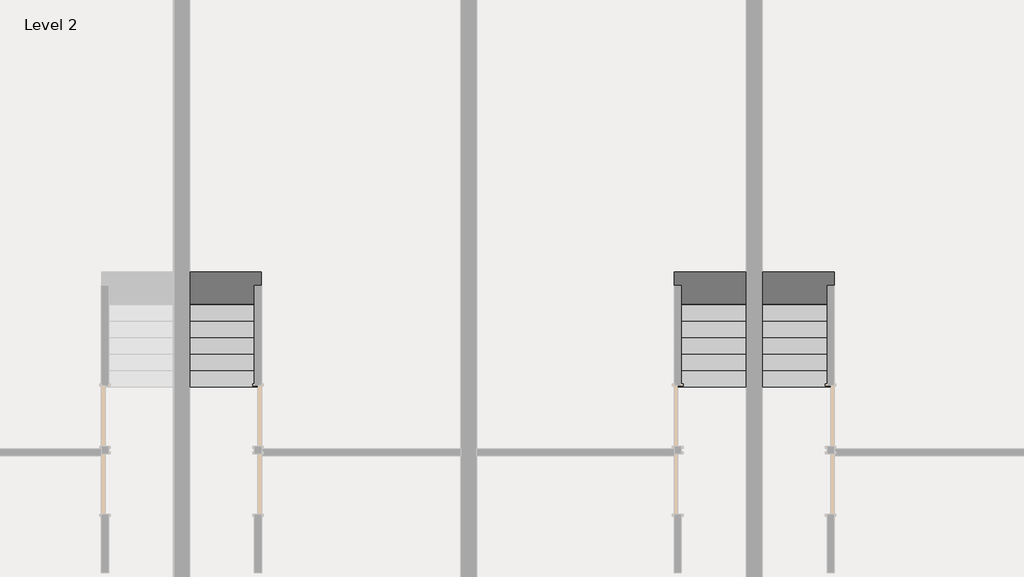
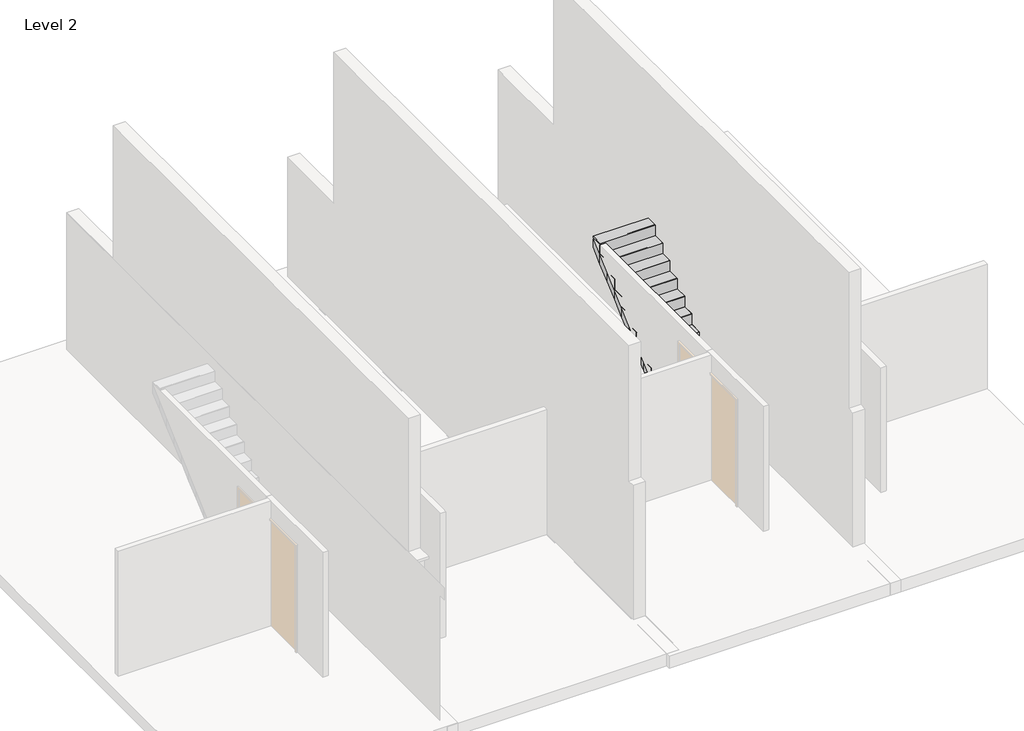
# One storey, part 6 of 7: 3 stair flights.
"""IFC4 building model written with IfcOpenShell, lengths in millimetres."""

from ifc_helpers import new_model, si_unit, frame, origin, place, context, project, spatial, polyline, outline, extrude, faceted_brep, element, save

model = new_model("IFC4")

# Units and contexts
model_context = context("Model", 3, world=origin())
ifc_project = project(units=[si_unit("LENGTHUNIT", "METRE", prefix="MILLI")], contexts=[model_context])

# Site, building, storey
site = spatial("IfcSite", under=ifc_project)
building = spatial("IfcBuilding", under=site)
storey = spatial("IfcBuildingStorey", under=building, Name="Level 2", Elevation=5760.0)

# Stair flights
placement = place(None, origin())
element("IfcStairFlight", 1, ObjectType="1mm_Tread-150mm_Depth", at=placement, inside=storey, context=model_context, shape_type="SolidModel", body=[
    faceted_brep([(-7583.7514271, -125.4639151, 5961.3076923), (-7583.7514271, -355.4639151, 5961.3076923), (-6583.7514271, -355.4639151, 5961.3076923), (-6583.7514271, -125.4639151, 5961.3076923), (-7583.7514271, -125.4639151, 5761.5375478), (-7583.7514271, -127.2119257, 5760.0), (-7583.7514271, -355.4639151, 5760.0), (-6583.7514271, -355.4639151, 5760.0), (-6583.7514271, -127.2119257, 5760.0), (-6583.7514271, -125.4639151, 5761.5375478), (-7583.7514271, 104.5360849, 6163.6153846), (-7583.7514271, -125.4639151, 6163.6153846), (-6583.7514271, -125.4639151, 6163.6153846), (-6583.7514271, 104.5360849, 6163.6153846), (-7583.7514271, 104.5360849, 5963.8452401), (-6583.7514271, 104.5360849, 5963.8452401), (-7583.7514271, 334.5360849, 6365.9230769), (-7583.7514271, 104.5360849, 6365.9230769), (-6583.7514271, 104.5360849, 6365.9230769), (-6583.7514271, 334.5360849, 6365.9230769), (-7583.7514271, 334.5360849, 6166.1529324), (-6583.7514271, 334.5360849, 6166.1529324), (-7583.7514271, 564.5360849, 6568.2307692), (-7583.7514271, 334.5360849, 6568.2307692), (-6583.7514271, 334.5360849, 6568.2307692), (-6583.7514271, 564.5360849, 6568.2307692), (-7583.7514271, 564.5360849, 6368.4606247), (-6583.7514271, 564.5360849, 6368.4606247), (-7583.7514271, 794.5360849, 6770.5384615), (-7583.7514271, 564.5360849, 6770.5384615), (-6583.7514271, 564.5360849, 6770.5384615), (-6583.7514271, 794.5360849, 6770.5384615), (-7583.7514271, 794.5360849, 6570.768317), (-6583.7514271, 794.5360849, 6570.768317), (-7583.7514271, 1024.5360849, 6972.8461538), (-7583.7514271, 794.5360849, 6972.8461538), (-6583.7514271, 794.5360849, 6972.8461538), (-6583.7514271, 1024.5360849, 6972.8461538), (-7583.7514271, 1024.5360849, 6773.0760093), (-6583.7514271, 1024.5360849, 6773.0760093), (-7583.7514271, 1254.5360849, 7175.1538462), (-7583.7514271, 1024.5360849, 7175.1538462), (-6583.7514271, 1024.5360849, 7175.1538462), (-6583.7514271, 1254.5360849, 7175.1538462), (-7583.7514271, 1254.5360849, 6975.3837016), (-6583.7514271, 1254.5360849, 6975.3837016), (-7583.7514271, 1484.5360849, 7377.4615385), (-7583.7514271, 1254.5360849, 7377.4615385), (-6583.7514271, 1254.5360849, 7377.4615385), (-6583.7514271, 1484.5360849, 7377.4615385), (-7583.7514271, 1484.5360849, 7177.6913939), (-6583.7514271, 1484.5360849, 7177.6913939), (-7583.7514271, 1714.5360849, 7579.7692308), (-7583.7514271, 1484.5360849, 7579.7692308), (-6583.7514271, 1484.5360849, 7579.7692308), (-6583.7514271, 1714.5360849, 7579.7692308), (-7583.7514271, 1714.5360849, 7379.9990862), (-6583.7514271, 1714.5360849, 7379.9990862), (-7583.7514271, 1944.5360849, 7782.0769231), (-7583.7514271, 1714.5360849, 7782.0769231), (-6583.7514271, 1714.5360849, 7782.0769231), (-6583.7514271, 1944.5360849, 7782.0769231), (-7583.7514271, 1944.5360849, 7582.3067785), (-6583.7514271, 1944.5360849, 7582.3067785), (-7583.7514271, 2174.5360849, 7984.3846154), (-7583.7514271, 1944.5360849, 7984.3846154), (-6583.7514271, 1944.5360849, 7984.3846154), (-6583.7514271, 2174.5360849, 7984.3846154), (-7583.7514271, 2174.5360849, 7784.6144708), (-6583.7514271, 2174.5360849, 7784.6144708), (-7583.7514271, 2392.0360849, 7975.9271799), (-6583.7514271, 2392.0360849, 7975.9271799), (-7583.7514271, 2392.0360849, 8186.6923077), (-7583.7514271, 2174.5360849, 8186.6923077), (-6583.7514271, 2174.5360849, 8186.6923077), (-6583.7514271, 2392.0360849, 8186.6923077)], [[[0, 1, 2, 3]], [[1, 0, 4, 5, 6]], [[2, 1, 6, 7]], [[3, 2, 7, 8, 9]], [[10, 11, 12, 13]], [[11, 10, 14, 4, 0]], [[0, 3, 12, 11]], [[13, 12, 3, 9, 15]], [[16, 17, 18, 19]], [[17, 16, 20, 14, 10]], [[10, 13, 18, 17]], [[19, 18, 13, 15, 21]], [[22, 23, 24, 25]], [[23, 22, 26, 20, 16]], [[16, 19, 24, 23]], [[25, 24, 19, 21, 27]], [[28, 29, 30, 31]], [[29, 28, 32, 26, 22]], [[22, 25, 30, 29]], [[31, 30, 25, 27, 33]], [[34, 35, 36, 37]], [[35, 34, 38, 32, 28]], [[28, 31, 36, 35]], [[37, 36, 31, 33, 39]], [[40, 41, 42, 43]], [[41, 40, 44, 38, 34]], [[34, 37, 42, 41]], [[43, 42, 37, 39, 45]], [[46, 47, 48, 49]], [[47, 46, 50, 44, 40]], [[40, 43, 48, 47]], [[49, 48, 43, 45, 51]], [[52, 53, 54, 55]], [[53, 52, 56, 50, 46]], [[46, 49, 54, 53]], [[55, 54, 49, 51, 57]], [[58, 59, 60, 61]], [[59, 58, 62, 56, 52]], [[52, 55, 60, 59]], [[61, 60, 55, 57, 63]], [[64, 65, 66, 67]], [[65, 64, 68, 62, 58]], [[58, 61, 66, 65]], [[67, 66, 61, 63, 69]], [[7, 6, 5, 8]], [[8, 5, 4, 14, 20, 26, 32, 38, 44, 50, 56, 62, 68, 70, 71, 69, 63, 57, 51, 45, 39, 33, 27, 21, 15, 9]], [[72, 73, 74, 75]], [[73, 72, 70, 68, 64]], [[64, 67, 74, 73]], [[75, 74, 67, 69, 71]], [[72, 75, 71, 70]]]),
    extrude(outline(polyline([(-7583.7514271, -137.9639151), (-6583.7514271, -137.9639151), (-6583.7514271, -367.9639151), (-7583.7514271, -367.9639151), (-7583.7514271, -137.9639151)])), frame((0.0, 0.0, 5961.3076923), z_axis=(0.0, 0.0, 1.0), x_axis=(1.0, 0.0, 0.0)), (0.0, 0.0, 1.0), 1.0),
    extrude(outline(polyline([(-7583.7514271, 92.0360849), (-6583.7514271, 92.0360849), (-6583.7514271, -137.9639151), (-7583.7514271, -137.9639151), (-7583.7514271, 92.0360849)])), frame((0.0, 0.0, 6163.6153846), z_axis=(0.0, 0.0, 1.0), x_axis=(1.0, 0.0, 0.0)), (0.0, 0.0, 1.0), 1.0),
    extrude(outline(polyline([(-7583.7514271, 322.0360849), (-6583.7514271, 322.0360849), (-6583.7514271, 92.0360849), (-7583.7514271, 92.0360849), (-7583.7514271, 322.0360849)])), frame((0.0, 0.0, 6365.9230769), z_axis=(0.0, 0.0, 1.0), x_axis=(1.0, 0.0, 0.0)), (0.0, 0.0, 1.0), 1.0),
    extrude(outline(polyline([(-7583.7514271, 552.0360849), (-6583.7514271, 552.0360849), (-6583.7514271, 322.0360849), (-7583.7514271, 322.0360849), (-7583.7514271, 552.0360849)])), frame((0.0, 0.0, 6568.2307692), z_axis=(0.0, 0.0, 1.0), x_axis=(1.0, 0.0, 0.0)), (0.0, 0.0, 1.0), 1.0),
    extrude(outline(polyline([(-7583.7514271, 782.0360849), (-6583.7514271, 782.0360849), (-6583.7514271, 552.0360849), (-7583.7514271, 552.0360849), (-7583.7514271, 782.0360849)])), frame((0.0, 0.0, 6770.5384615), z_axis=(0.0, 0.0, 1.0), x_axis=(1.0, 0.0, 0.0)), (0.0, 0.0, 1.0), 1.0),
    extrude(outline(polyline([(-7583.7514271, 1012.0360849), (-6583.7514271, 1012.0360849), (-6583.7514271, 782.0360849), (-7583.7514271, 782.0360849), (-7583.7514271, 1012.0360849)])), frame((0.0, 0.0, 6972.8461538), z_axis=(0.0, 0.0, 1.0), x_axis=(1.0, 0.0, 0.0)), (0.0, 0.0, 1.0), 1.0),
    extrude(outline(polyline([(-7583.7514271, 1242.0360849), (-6583.7514271, 1242.0360849), (-6583.7514271, 1012.0360849), (-7583.7514271, 1012.0360849), (-7583.7514271, 1242.0360849)])), frame((0.0, 0.0, 7175.1538462), z_axis=(0.0, 0.0, 1.0), x_axis=(1.0, 0.0, 0.0)), (0.0, 0.0, 1.0), 1.0),
    extrude(outline(polyline([(-7583.7514271, 1472.0360849), (-6583.7514271, 1472.0360849), (-6583.7514271, 1242.0360849), (-7583.7514271, 1242.0360849), (-7583.7514271, 1472.0360849)])), frame((0.0, 0.0, 7377.4615385), z_axis=(0.0, 0.0, 1.0), x_axis=(1.0, 0.0, 0.0)), (0.0, 0.0, 1.0), 1.0),
    extrude(outline(polyline([(-7583.7514271, 1702.0360849), (-6583.7514271, 1702.0360849), (-6583.7514271, 1472.0360849), (-7583.7514271, 1472.0360849), (-7583.7514271, 1702.0360849)])), frame((0.0, 0.0, 7579.7692308), z_axis=(0.0, 0.0, 1.0), x_axis=(1.0, 0.0, 0.0)), (0.0, 0.0, 1.0), 1.0),
    extrude(outline(polyline([(-7583.7514271, 1932.0360849), (-6583.7514271, 1932.0360849), (-6583.7514271, 1702.0360849), (-7583.7514271, 1702.0360849), (-7583.7514271, 1932.0360849)])), frame((0.0, 0.0, 7782.0769231), z_axis=(0.0, 0.0, 1.0), x_axis=(1.0, 0.0, 0.0)), (0.0, 0.0, 1.0), 1.0),
    extrude(outline(polyline([(-7583.7514271, 2162.0360849), (-6583.7514271, 2162.0360849), (-6583.7514271, 1932.0360849), (-7583.7514271, 1932.0360849), (-7583.7514271, 2162.0360849)])), frame((0.0, 0.0, 7984.3846154), z_axis=(0.0, 0.0, 1.0), x_axis=(1.0, 0.0, 0.0)), (0.0, 0.0, 1.0), 1.0),
    extrude(outline(polyline([(-7583.7514271, 2392.0360849), (-6583.7514271, 2392.0360849), (-6583.7514271, 2162.0360849), (-7583.7514271, 2162.0360849), (-7583.7514271, 2392.0360849)])), frame((0.0, 0.0, 8186.6923077), z_axis=(0.0, 0.0, 1.0), x_axis=(1.0, 0.0, 0.0)), (0.0, 0.0, 1.0), 1.0),
    extrude(outline(polyline([(-6583.7514271, -355.4639151), (-6583.7514271, -367.9639151), (-7583.7514271, -367.9639151), (-7583.7514271, -355.4639151), (-6583.7514271, -355.4639151)])), frame((0.0, 0.0, 5760.0), z_axis=(0.0, 0.0, 1.0), x_axis=(1.0, 0.0, 0.0)), (0.0, 0.0, 1.0), 201.3076923),
    extrude(outline(polyline([(-6583.7514271, -125.4639151), (-6583.7514271, -137.9639151), (-7583.7514271, -137.9639151), (-7583.7514271, -125.4639151), (-6583.7514271, -125.4639151)])), frame((0.0, 0.0, 5961.3076923), z_axis=(0.0, 0.0, 1.0), x_axis=(1.0, 0.0, 0.0)), (0.0, 0.0, 1.0), 202.3076923),
    extrude(outline(polyline([(-6583.7514271, 104.5360849), (-6583.7514271, 92.0360849), (-7583.7514271, 92.0360849), (-7583.7514271, 104.5360849), (-6583.7514271, 104.5360849)])), frame((0.0, 0.0, 6163.6153846), z_axis=(0.0, 0.0, 1.0), x_axis=(1.0, 0.0, 0.0)), (0.0, 0.0, 1.0), 202.3076923),
    extrude(outline(polyline([(-6583.7514271, 334.5360849), (-6583.7514271, 322.0360849), (-7583.7514271, 322.0360849), (-7583.7514271, 334.5360849), (-6583.7514271, 334.5360849)])), frame((0.0, 0.0, 6365.9230769), z_axis=(0.0, 0.0, 1.0), x_axis=(1.0, 0.0, 0.0)), (0.0, 0.0, 1.0), 202.3076923),
    extrude(outline(polyline([(-6583.7514271, 564.5360849), (-6583.7514271, 552.0360849), (-7583.7514271, 552.0360849), (-7583.7514271, 564.5360849), (-6583.7514271, 564.5360849)])), frame((0.0, 0.0, 6568.2307692), z_axis=(0.0, 0.0, 1.0), x_axis=(1.0, 0.0, 0.0)), (0.0, 0.0, 1.0), 202.3076923),
    extrude(outline(polyline([(-6583.7514271, 794.5360849), (-6583.7514271, 782.0360849), (-7583.7514271, 782.0360849), (-7583.7514271, 794.5360849), (-6583.7514271, 794.5360849)])), frame((0.0, 0.0, 6770.5384615), z_axis=(0.0, 0.0, 1.0), x_axis=(1.0, 0.0, 0.0)), (0.0, 0.0, 1.0), 202.3076923),
    extrude(outline(polyline([(-6583.7514271, 1024.5360849), (-6583.7514271, 1012.0360849), (-7583.7514271, 1012.0360849), (-7583.7514271, 1024.5360849), (-6583.7514271, 1024.5360849)])), frame((0.0, 0.0, 6972.8461538), z_axis=(0.0, 0.0, 1.0), x_axis=(1.0, 0.0, 0.0)), (0.0, 0.0, 1.0), 202.3076923),
    extrude(outline(polyline([(-6583.7514271, 1254.5360849), (-6583.7514271, 1242.0360849), (-7583.7514271, 1242.0360849), (-7583.7514271, 1254.5360849), (-6583.7514271, 1254.5360849)])), frame((0.0, 0.0, 7175.1538462), z_axis=(0.0, 0.0, 1.0), x_axis=(1.0, 0.0, 0.0)), (0.0, 0.0, 1.0), 202.3076923),
    extrude(outline(polyline([(-6583.7514271, 1484.5360849), (-6583.7514271, 1472.0360849), (-7583.7514271, 1472.0360849), (-7583.7514271, 1484.5360849), (-6583.7514271, 1484.5360849)])), frame((0.0, 0.0, 7377.4615385), z_axis=(0.0, 0.0, 1.0), x_axis=(1.0, 0.0, 0.0)), (0.0, 0.0, 1.0), 202.3076923),
    extrude(outline(polyline([(-6583.7514271, 1714.5360849), (-6583.7514271, 1702.0360849), (-7583.7514271, 1702.0360849), (-7583.7514271, 1714.5360849), (-6583.7514271, 1714.5360849)])), frame((0.0, 0.0, 7579.7692308), z_axis=(0.0, 0.0, 1.0), x_axis=(1.0, 0.0, 0.0)), (0.0, 0.0, 1.0), 202.3076923),
    extrude(outline(polyline([(-6583.7514271, 1944.5360849), (-6583.7514271, 1932.0360849), (-7583.7514271, 1932.0360849), (-7583.7514271, 1944.5360849), (-6583.7514271, 1944.5360849)])), frame((0.0, 0.0, 7782.0769231), z_axis=(0.0, 0.0, 1.0), x_axis=(1.0, 0.0, 0.0)), (0.0, 0.0, 1.0), 202.3076923),
    extrude(outline(polyline([(-6583.7514271, 2174.5360849), (-6583.7514271, 2162.0360849), (-7583.7514271, 2162.0360849), (-7583.7514271, 2174.5360849), (-6583.7514271, 2174.5360849)])), frame((0.0, 0.0, 7984.3846154), z_axis=(0.0, 0.0, 1.0), x_axis=(1.0, 0.0, 0.0)), (0.0, 0.0, 1.0), 202.3076923),
])
element("IfcStairFlight", 2, ObjectType="1mm_Tread-150mm_Depth", at=placement, inside=storey, context=model_context, shape_type="SolidModel", body=[
    faceted_brep([(-14353.7514271, -125.4639151, 5961.3076923), (-14353.7514271, -355.4639151, 5961.3076923), (-13353.7514271, -355.4639151, 5961.3076923), (-13353.7514271, -125.4639151, 5961.3076923), (-13353.7514271, -355.4639151, 5760.0), (-13353.7514271, -127.2119257, 5760.0), (-13353.7514271, -125.4639151, 5761.5375478), (-14353.7514271, -355.4639151, 5760.0), (-14353.7514271, -125.4639151, 5761.5375478), (-14353.7514271, -127.2119257, 5760.0), (-14353.7514271, 104.5360849, 6163.6153846), (-14353.7514271, -125.4639151, 6163.6153846), (-13353.7514271, -125.4639151, 6163.6153846), (-13353.7514271, 104.5360849, 6163.6153846), (-13353.7514271, 104.5360849, 5963.8452401), (-14353.7514271, 104.5360849, 5963.8452401), (-14353.7514271, 334.5360849, 6365.9230769), (-14353.7514271, 104.5360849, 6365.9230769), (-13353.7514271, 104.5360849, 6365.9230769), (-13353.7514271, 334.5360849, 6365.9230769), (-13353.7514271, 334.5360849, 6166.1529324), (-14353.7514271, 334.5360849, 6166.1529324), (-14353.7514271, 564.5360849, 6568.2307692), (-14353.7514271, 334.5360849, 6568.2307692), (-13353.7514271, 334.5360849, 6568.2307692), (-13353.7514271, 564.5360849, 6568.2307692), (-13353.7514271, 564.5360849, 6368.4606247), (-14353.7514271, 564.5360849, 6368.4606247), (-14353.7514271, 794.5360849, 6770.5384615), (-14353.7514271, 564.5360849, 6770.5384615), (-13353.7514271, 564.5360849, 6770.5384615), (-13353.7514271, 794.5360849, 6770.5384615), (-13353.7514271, 794.5360849, 6570.768317), (-14353.7514271, 794.5360849, 6570.768317), (-14353.7514271, 1024.5360849, 6972.8461538), (-14353.7514271, 794.5360849, 6972.8461538), (-13353.7514271, 794.5360849, 6972.8461538), (-13353.7514271, 1024.5360849, 6972.8461538), (-13353.7514271, 1024.5360849, 6773.0760093), (-14353.7514271, 1024.5360849, 6773.0760093), (-14353.7514271, 1254.5360849, 7175.1538462), (-14353.7514271, 1024.5360849, 7175.1538462), (-13353.7514271, 1024.5360849, 7175.1538462), (-13353.7514271, 1254.5360849, 7175.1538462), (-13353.7514271, 1254.5360849, 6975.3837016), (-14353.7514271, 1254.5360849, 6975.3837016), (-14353.7514271, 1484.5360849, 7377.4615385), (-14353.7514271, 1254.5360849, 7377.4615385), (-13353.7514271, 1254.5360849, 7377.4615385), (-13353.7514271, 1484.5360849, 7377.4615385), (-13353.7514271, 1484.5360849, 7177.6913939), (-14353.7514271, 1484.5360849, 7177.6913939), (-14353.7514271, 1714.5360849, 7579.7692308), (-14353.7514271, 1484.5360849, 7579.7692308), (-13353.7514271, 1484.5360849, 7579.7692308), (-13353.7514271, 1714.5360849, 7579.7692308), (-13353.7514271, 1714.5360849, 7379.9990862), (-14353.7514271, 1714.5360849, 7379.9990862), (-14353.7514271, 1944.5360849, 7782.0769231), (-14353.7514271, 1714.5360849, 7782.0769231), (-13353.7514271, 1714.5360849, 7782.0769231), (-13353.7514271, 1944.5360849, 7782.0769231), (-13353.7514271, 1944.5360849, 7582.3067785), (-14353.7514271, 1944.5360849, 7582.3067785), (-14353.7514271, 2174.5360849, 7984.3846154), (-14353.7514271, 1944.5360849, 7984.3846154), (-13353.7514271, 1944.5360849, 7984.3846154), (-13353.7514271, 2174.5360849, 7984.3846154), (-13353.7514271, 2174.5360849, 7784.6144708), (-14353.7514271, 2174.5360849, 7784.6144708), (-14353.7514271, 2392.0360849, 7975.9271799), (-13353.7514271, 2392.0360849, 7975.9271799), (-14353.7514271, 2392.0360849, 8186.6923077), (-14353.7514271, 2174.5360849, 8186.6923077), (-13353.7514271, 2174.5360849, 8186.6923077), (-13353.7514271, 2392.0360849, 8186.6923077)], [[[0, 1, 2, 3]], [[3, 2, 4, 5, 6]], [[2, 1, 7, 4]], [[1, 0, 8, 9, 7]], [[10, 11, 12, 13]], [[13, 12, 3, 6, 14]], [[0, 3, 12, 11]], [[11, 10, 15, 8, 0]], [[16, 17, 18, 19]], [[19, 18, 13, 14, 20]], [[10, 13, 18, 17]], [[17, 16, 21, 15, 10]], [[22, 23, 24, 25]], [[25, 24, 19, 20, 26]], [[16, 19, 24, 23]], [[23, 22, 27, 21, 16]], [[28, 29, 30, 31]], [[31, 30, 25, 26, 32]], [[22, 25, 30, 29]], [[29, 28, 33, 27, 22]], [[34, 35, 36, 37]], [[37, 36, 31, 32, 38]], [[28, 31, 36, 35]], [[35, 34, 39, 33, 28]], [[40, 41, 42, 43]], [[43, 42, 37, 38, 44]], [[34, 37, 42, 41]], [[41, 40, 45, 39, 34]], [[46, 47, 48, 49]], [[49, 48, 43, 44, 50]], [[40, 43, 48, 47]], [[47, 46, 51, 45, 40]], [[52, 53, 54, 55]], [[55, 54, 49, 50, 56]], [[46, 49, 54, 53]], [[53, 52, 57, 51, 46]], [[58, 59, 60, 61]], [[61, 60, 55, 56, 62]], [[52, 55, 60, 59]], [[59, 58, 63, 57, 52]], [[64, 65, 66, 67]], [[67, 66, 61, 62, 68]], [[58, 61, 66, 65]], [[65, 64, 69, 63, 58]], [[4, 7, 9, 5]], [[5, 9, 8, 15, 21, 27, 33, 39, 45, 51, 57, 63, 69, 70, 71, 68, 62, 56, 50, 44, 38, 32, 26, 20, 14, 6]], [[72, 73, 74, 75]], [[73, 72, 70, 69, 64]], [[64, 67, 74, 73]], [[75, 74, 67, 68, 71]], [[72, 75, 71, 70]]]),
    extrude(outline(polyline([(-14353.7514271, -137.9639151), (-13353.7514271, -137.9639151), (-13353.7514271, -367.9639151), (-14353.7514271, -367.9639151), (-14353.7514271, -137.9639151)])), frame((0.0, 0.0, 5961.3076923), z_axis=(0.0, 0.0, 1.0), x_axis=(1.0, 0.0, 0.0)), (0.0, 0.0, 1.0), 1.0),
    extrude(outline(polyline([(-14353.7514271, 92.0360849), (-13353.7514271, 92.0360849), (-13353.7514271, -137.9639151), (-14353.7514271, -137.9639151), (-14353.7514271, 92.0360849)])), frame((0.0, 0.0, 6163.6153846), z_axis=(0.0, 0.0, 1.0), x_axis=(1.0, 0.0, 0.0)), (0.0, 0.0, 1.0), 1.0),
    extrude(outline(polyline([(-14353.7514271, 322.0360849), (-13353.7514271, 322.0360849), (-13353.7514271, 92.0360849), (-14353.7514271, 92.0360849), (-14353.7514271, 322.0360849)])), frame((0.0, 0.0, 6365.9230769), z_axis=(0.0, 0.0, 1.0), x_axis=(1.0, 0.0, 0.0)), (0.0, 0.0, 1.0), 1.0),
    extrude(outline(polyline([(-14353.7514271, 552.0360849), (-13353.7514271, 552.0360849), (-13353.7514271, 322.0360849), (-14353.7514271, 322.0360849), (-14353.7514271, 552.0360849)])), frame((0.0, 0.0, 6568.2307692), z_axis=(0.0, 0.0, 1.0), x_axis=(1.0, 0.0, 0.0)), (0.0, 0.0, 1.0), 1.0),
    extrude(outline(polyline([(-14353.7514271, 782.0360849), (-13353.7514271, 782.0360849), (-13353.7514271, 552.0360849), (-14353.7514271, 552.0360849), (-14353.7514271, 782.0360849)])), frame((0.0, 0.0, 6770.5384615), z_axis=(0.0, 0.0, 1.0), x_axis=(1.0, 0.0, 0.0)), (0.0, 0.0, 1.0), 1.0),
    extrude(outline(polyline([(-14353.7514271, 1012.0360849), (-13353.7514271, 1012.0360849), (-13353.7514271, 782.0360849), (-14353.7514271, 782.0360849), (-14353.7514271, 1012.0360849)])), frame((0.0, 0.0, 6972.8461538), z_axis=(0.0, 0.0, 1.0), x_axis=(1.0, 0.0, 0.0)), (0.0, 0.0, 1.0), 1.0),
    extrude(outline(polyline([(-14353.7514271, 1242.0360849), (-13353.7514271, 1242.0360849), (-13353.7514271, 1012.0360849), (-14353.7514271, 1012.0360849), (-14353.7514271, 1242.0360849)])), frame((0.0, 0.0, 7175.1538462), z_axis=(0.0, 0.0, 1.0), x_axis=(1.0, 0.0, 0.0)), (0.0, 0.0, 1.0), 1.0),
    extrude(outline(polyline([(-14353.7514271, 1472.0360849), (-13353.7514271, 1472.0360849), (-13353.7514271, 1242.0360849), (-14353.7514271, 1242.0360849), (-14353.7514271, 1472.0360849)])), frame((0.0, 0.0, 7377.4615385), z_axis=(0.0, 0.0, 1.0), x_axis=(1.0, 0.0, 0.0)), (0.0, 0.0, 1.0), 1.0),
    extrude(outline(polyline([(-14353.7514271, 1702.0360849), (-13353.7514271, 1702.0360849), (-13353.7514271, 1472.0360849), (-14353.7514271, 1472.0360849), (-14353.7514271, 1702.0360849)])), frame((0.0, 0.0, 7579.7692308), z_axis=(0.0, 0.0, 1.0), x_axis=(1.0, 0.0, 0.0)), (0.0, 0.0, 1.0), 1.0),
    extrude(outline(polyline([(-14353.7514271, 1932.0360849), (-13353.7514271, 1932.0360849), (-13353.7514271, 1702.0360849), (-14353.7514271, 1702.0360849), (-14353.7514271, 1932.0360849)])), frame((0.0, 0.0, 7782.0769231), z_axis=(0.0, 0.0, 1.0), x_axis=(1.0, 0.0, 0.0)), (0.0, 0.0, 1.0), 1.0),
    extrude(outline(polyline([(-14353.7514271, 2162.0360849), (-13353.7514271, 2162.0360849), (-13353.7514271, 1932.0360849), (-14353.7514271, 1932.0360849), (-14353.7514271, 2162.0360849)])), frame((0.0, 0.0, 7984.3846154), z_axis=(0.0, 0.0, 1.0), x_axis=(1.0, 0.0, 0.0)), (0.0, 0.0, 1.0), 1.0),
    extrude(outline(polyline([(-14353.7514271, 2392.0360849), (-13353.7514271, 2392.0360849), (-13353.7514271, 2162.0360849), (-14353.7514271, 2162.0360849), (-14353.7514271, 2392.0360849)])), frame((0.0, 0.0, 8186.6923077), z_axis=(0.0, 0.0, 1.0), x_axis=(1.0, 0.0, 0.0)), (0.0, 0.0, 1.0), 1.0),
    extrude(outline(polyline([(-13353.7514271, -355.4639151), (-13353.7514271, -367.9639151), (-14353.7514271, -367.9639151), (-14353.7514271, -355.4639151), (-13353.7514271, -355.4639151)])), frame((0.0, 0.0, 5760.0), z_axis=(0.0, 0.0, 1.0), x_axis=(1.0, 0.0, 0.0)), (0.0, 0.0, 1.0), 201.3076923),
    extrude(outline(polyline([(-13353.7514271, -125.4639151), (-13353.7514271, -137.9639151), (-14353.7514271, -137.9639151), (-14353.7514271, -125.4639151), (-13353.7514271, -125.4639151)])), frame((0.0, 0.0, 5961.3076923), z_axis=(0.0, 0.0, 1.0), x_axis=(1.0, 0.0, 0.0)), (0.0, 0.0, 1.0), 202.3076923),
    extrude(outline(polyline([(-13353.7514271, 104.5360849), (-13353.7514271, 92.0360849), (-14353.7514271, 92.0360849), (-14353.7514271, 104.5360849), (-13353.7514271, 104.5360849)])), frame((0.0, 0.0, 6163.6153846), z_axis=(0.0, 0.0, 1.0), x_axis=(1.0, 0.0, 0.0)), (0.0, 0.0, 1.0), 202.3076923),
    extrude(outline(polyline([(-13353.7514271, 334.5360849), (-13353.7514271, 322.0360849), (-14353.7514271, 322.0360849), (-14353.7514271, 334.5360849), (-13353.7514271, 334.5360849)])), frame((0.0, 0.0, 6365.9230769), z_axis=(0.0, 0.0, 1.0), x_axis=(1.0, 0.0, 0.0)), (0.0, 0.0, 1.0), 202.3076923),
    extrude(outline(polyline([(-13353.7514271, 564.5360849), (-13353.7514271, 552.0360849), (-14353.7514271, 552.0360849), (-14353.7514271, 564.5360849), (-13353.7514271, 564.5360849)])), frame((0.0, 0.0, 6568.2307692), z_axis=(0.0, 0.0, 1.0), x_axis=(1.0, 0.0, 0.0)), (0.0, 0.0, 1.0), 202.3076923),
    extrude(outline(polyline([(-13353.7514271, 794.5360849), (-13353.7514271, 782.0360849), (-14353.7514271, 782.0360849), (-14353.7514271, 794.5360849), (-13353.7514271, 794.5360849)])), frame((0.0, 0.0, 6770.5384615), z_axis=(0.0, 0.0, 1.0), x_axis=(1.0, 0.0, 0.0)), (0.0, 0.0, 1.0), 202.3076923),
    extrude(outline(polyline([(-13353.7514271, 1024.5360849), (-13353.7514271, 1012.0360849), (-14353.7514271, 1012.0360849), (-14353.7514271, 1024.5360849), (-13353.7514271, 1024.5360849)])), frame((0.0, 0.0, 6972.8461538), z_axis=(0.0, 0.0, 1.0), x_axis=(1.0, 0.0, 0.0)), (0.0, 0.0, 1.0), 202.3076923),
    extrude(outline(polyline([(-13353.7514271, 1254.5360849), (-13353.7514271, 1242.0360849), (-14353.7514271, 1242.0360849), (-14353.7514271, 1254.5360849), (-13353.7514271, 1254.5360849)])), frame((0.0, 0.0, 7175.1538462), z_axis=(0.0, 0.0, 1.0), x_axis=(1.0, 0.0, 0.0)), (0.0, 0.0, 1.0), 202.3076923),
    extrude(outline(polyline([(-13353.7514271, 1484.5360849), (-13353.7514271, 1472.0360849), (-14353.7514271, 1472.0360849), (-14353.7514271, 1484.5360849), (-13353.7514271, 1484.5360849)])), frame((0.0, 0.0, 7377.4615385), z_axis=(0.0, 0.0, 1.0), x_axis=(1.0, 0.0, 0.0)), (0.0, 0.0, 1.0), 202.3076923),
    extrude(outline(polyline([(-13353.7514271, 1714.5360849), (-13353.7514271, 1702.0360849), (-14353.7514271, 1702.0360849), (-14353.7514271, 1714.5360849), (-13353.7514271, 1714.5360849)])), frame((0.0, 0.0, 7579.7692308), z_axis=(0.0, 0.0, 1.0), x_axis=(1.0, 0.0, 0.0)), (0.0, 0.0, 1.0), 202.3076923),
    extrude(outline(polyline([(-13353.7514271, 1944.5360849), (-13353.7514271, 1932.0360849), (-14353.7514271, 1932.0360849), (-14353.7514271, 1944.5360849), (-13353.7514271, 1944.5360849)])), frame((0.0, 0.0, 7782.0769231), z_axis=(0.0, 0.0, 1.0), x_axis=(1.0, 0.0, 0.0)), (0.0, 0.0, 1.0), 202.3076923),
    extrude(outline(polyline([(-13353.7514271, 2174.5360849), (-13353.7514271, 2162.0360849), (-14353.7514271, 2162.0360849), (-14353.7514271, 2174.5360849), (-13353.7514271, 2174.5360849)])), frame((0.0, 0.0, 7984.3846154), z_axis=(0.0, 0.0, 1.0), x_axis=(1.0, 0.0, 0.0)), (0.0, 0.0, 1.0), 202.3076923),
])
element("IfcStairFlight", 3, ObjectType="1mm_Tread-150mm_Depth", at=placement, inside=storey, context=model_context, shape_type="SolidModel", body=[
    faceted_brep([(-6349.5224271, -125.4639151, 5961.3076923), (-6349.5224271, -355.4639151, 5961.3076923), (-5349.5224271, -355.4639151, 5961.3076923), (-5349.5224271, -125.4639151, 5961.3076923), (-5349.5224271, -355.4639151, 5760.0), (-5349.5224271, -127.2119257, 5760.0), (-5349.5224271, -125.4639151, 5761.5375478), (-6349.5224271, -355.4639151, 5760.0), (-6349.5224271, -125.4639151, 5761.5375478), (-6349.5224271, -127.2119257, 5760.0), (-6349.5224271, 104.5360849, 6163.6153846), (-6349.5224271, -125.4639151, 6163.6153846), (-5349.5224271, -125.4639151, 6163.6153846), (-5349.5224271, 104.5360849, 6163.6153846), (-5349.5224271, 104.5360849, 5963.8452401), (-6349.5224271, 104.5360849, 5963.8452401), (-6349.5224271, 334.5360849, 6365.9230769), (-6349.5224271, 104.5360849, 6365.9230769), (-5349.5224271, 104.5360849, 6365.9230769), (-5349.5224271, 334.5360849, 6365.9230769), (-5349.5224271, 334.5360849, 6166.1529324), (-6349.5224271, 334.5360849, 6166.1529324), (-6349.5224271, 564.5360849, 6568.2307692), (-6349.5224271, 334.5360849, 6568.2307692), (-5349.5224271, 334.5360849, 6568.2307692), (-5349.5224271, 564.5360849, 6568.2307692), (-5349.5224271, 564.5360849, 6368.4606247), (-6349.5224271, 564.5360849, 6368.4606247), (-6349.5224271, 794.5360849, 6770.5384615), (-6349.5224271, 564.5360849, 6770.5384615), (-5349.5224271, 564.5360849, 6770.5384615), (-5349.5224271, 794.5360849, 6770.5384615), (-5349.5224271, 794.5360849, 6570.768317), (-6349.5224271, 794.5360849, 6570.768317), (-6349.5224271, 1024.5360849, 6972.8461538), (-6349.5224271, 794.5360849, 6972.8461538), (-5349.5224271, 794.5360849, 6972.8461538), (-5349.5224271, 1024.5360849, 6972.8461538), (-5349.5224271, 1024.5360849, 6773.0760093), (-6349.5224271, 1024.5360849, 6773.0760093), (-6349.5224271, 1254.5360849, 7175.1538462), (-6349.5224271, 1024.5360849, 7175.1538462), (-5349.5224271, 1024.5360849, 7175.1538462), (-5349.5224271, 1254.5360849, 7175.1538462), (-5349.5224271, 1254.5360849, 6975.3837016), (-6349.5224271, 1254.5360849, 6975.3837016), (-6349.5224271, 1484.5360849, 7377.4615385), (-6349.5224271, 1254.5360849, 7377.4615385), (-5349.5224271, 1254.5360849, 7377.4615385), (-5349.5224271, 1484.5360849, 7377.4615385), (-5349.5224271, 1484.5360849, 7177.6913939), (-6349.5224271, 1484.5360849, 7177.6913939), (-6349.5224271, 1714.5360849, 7579.7692308), (-6349.5224271, 1484.5360849, 7579.7692308), (-5349.5224271, 1484.5360849, 7579.7692308), (-5349.5224271, 1714.5360849, 7579.7692308), (-5349.5224271, 1714.5360849, 7379.9990862), (-6349.5224271, 1714.5360849, 7379.9990862), (-6349.5224271, 1944.5360849, 7782.0769231), (-6349.5224271, 1714.5360849, 7782.0769231), (-5349.5224271, 1714.5360849, 7782.0769231), (-5349.5224271, 1944.5360849, 7782.0769231), (-5349.5224271, 1944.5360849, 7582.3067785), (-6349.5224271, 1944.5360849, 7582.3067785), (-6349.5224271, 2174.5360849, 7984.3846154), (-6349.5224271, 1944.5360849, 7984.3846154), (-5349.5224271, 1944.5360849, 7984.3846154), (-5349.5224271, 2174.5360849, 7984.3846154), (-5349.5224271, 2174.5360849, 7784.6144708), (-6349.5224271, 2174.5360849, 7784.6144708), (-6349.5224271, 2392.0360849, 7975.9271799), (-5349.5224271, 2392.0360849, 7975.9271799), (-6349.5224271, 2392.0360849, 8186.6923077), (-6349.5224271, 2174.5360849, 8186.6923077), (-5349.5224271, 2174.5360849, 8186.6923077), (-5349.5224271, 2392.0360849, 8186.6923077)], [[[0, 1, 2, 3]], [[3, 2, 4, 5, 6]], [[2, 1, 7, 4]], [[1, 0, 8, 9, 7]], [[10, 11, 12, 13]], [[13, 12, 3, 6, 14]], [[0, 3, 12, 11]], [[11, 10, 15, 8, 0]], [[16, 17, 18, 19]], [[19, 18, 13, 14, 20]], [[10, 13, 18, 17]], [[17, 16, 21, 15, 10]], [[22, 23, 24, 25]], [[25, 24, 19, 20, 26]], [[16, 19, 24, 23]], [[23, 22, 27, 21, 16]], [[28, 29, 30, 31]], [[31, 30, 25, 26, 32]], [[22, 25, 30, 29]], [[29, 28, 33, 27, 22]], [[34, 35, 36, 37]], [[37, 36, 31, 32, 38]], [[28, 31, 36, 35]], [[35, 34, 39, 33, 28]], [[40, 41, 42, 43]], [[43, 42, 37, 38, 44]], [[34, 37, 42, 41]], [[41, 40, 45, 39, 34]], [[46, 47, 48, 49]], [[49, 48, 43, 44, 50]], [[40, 43, 48, 47]], [[47, 46, 51, 45, 40]], [[52, 53, 54, 55]], [[55, 54, 49, 50, 56]], [[46, 49, 54, 53]], [[53, 52, 57, 51, 46]], [[58, 59, 60, 61]], [[61, 60, 55, 56, 62]], [[52, 55, 60, 59]], [[59, 58, 63, 57, 52]], [[64, 65, 66, 67]], [[67, 66, 61, 62, 68]], [[58, 61, 66, 65]], [[65, 64, 69, 63, 58]], [[4, 7, 9, 5]], [[5, 9, 8, 15, 21, 27, 33, 39, 45, 51, 57, 63, 69, 70, 71, 68, 62, 56, 50, 44, 38, 32, 26, 20, 14, 6]], [[72, 73, 74, 75]], [[73, 72, 70, 69, 64]], [[64, 67, 74, 73]], [[75, 74, 67, 68, 71]], [[72, 75, 71, 70]]]),
    extrude(outline(polyline([(-6349.5224271, -137.9639151), (-5349.5224271, -137.9639151), (-5349.5224271, -367.9639151), (-6349.5224271, -367.9639151), (-6349.5224271, -137.9639151)])), frame((0.0, 0.0, 5961.3076923), z_axis=(0.0, 0.0, 1.0), x_axis=(1.0, 0.0, 0.0)), (0.0, 0.0, 1.0), 1.0),
    extrude(outline(polyline([(-6349.5224271, 92.0360849), (-5349.5224271, 92.0360849), (-5349.5224271, -137.9639151), (-6349.5224271, -137.9639151), (-6349.5224271, 92.0360849)])), frame((0.0, 0.0, 6163.6153846), z_axis=(0.0, 0.0, 1.0), x_axis=(1.0, 0.0, 0.0)), (0.0, 0.0, 1.0), 1.0),
    extrude(outline(polyline([(-6349.5224271, 322.0360849), (-5349.5224271, 322.0360849), (-5349.5224271, 92.0360849), (-6349.5224271, 92.0360849), (-6349.5224271, 322.0360849)])), frame((0.0, 0.0, 6365.9230769), z_axis=(0.0, 0.0, 1.0), x_axis=(1.0, 0.0, 0.0)), (0.0, 0.0, 1.0), 1.0),
    extrude(outline(polyline([(-6349.5224271, 552.0360849), (-5349.5224271, 552.0360849), (-5349.5224271, 322.0360849), (-6349.5224271, 322.0360849), (-6349.5224271, 552.0360849)])), frame((0.0, 0.0, 6568.2307692), z_axis=(0.0, 0.0, 1.0), x_axis=(1.0, 0.0, 0.0)), (0.0, 0.0, 1.0), 1.0),
    extrude(outline(polyline([(-6349.5224271, 782.0360849), (-5349.5224271, 782.0360849), (-5349.5224271, 552.0360849), (-6349.5224271, 552.0360849), (-6349.5224271, 782.0360849)])), frame((0.0, 0.0, 6770.5384615), z_axis=(0.0, 0.0, 1.0), x_axis=(1.0, 0.0, 0.0)), (0.0, 0.0, 1.0), 1.0),
    extrude(outline(polyline([(-6349.5224271, 1012.0360849), (-5349.5224271, 1012.0360849), (-5349.5224271, 782.0360849), (-6349.5224271, 782.0360849), (-6349.5224271, 1012.0360849)])), frame((0.0, 0.0, 6972.8461538), z_axis=(0.0, 0.0, 1.0), x_axis=(1.0, 0.0, 0.0)), (0.0, 0.0, 1.0), 1.0),
    extrude(outline(polyline([(-6349.5224271, 1242.0360849), (-5349.5224271, 1242.0360849), (-5349.5224271, 1012.0360849), (-6349.5224271, 1012.0360849), (-6349.5224271, 1242.0360849)])), frame((0.0, 0.0, 7175.1538462), z_axis=(0.0, 0.0, 1.0), x_axis=(1.0, 0.0, 0.0)), (0.0, 0.0, 1.0), 1.0),
    extrude(outline(polyline([(-6349.5224271, 1472.0360849), (-5349.5224271, 1472.0360849), (-5349.5224271, 1242.0360849), (-6349.5224271, 1242.0360849), (-6349.5224271, 1472.0360849)])), frame((0.0, 0.0, 7377.4615385), z_axis=(0.0, 0.0, 1.0), x_axis=(1.0, 0.0, 0.0)), (0.0, 0.0, 1.0), 1.0),
    extrude(outline(polyline([(-6349.5224271, 1702.0360849), (-5349.5224271, 1702.0360849), (-5349.5224271, 1472.0360849), (-6349.5224271, 1472.0360849), (-6349.5224271, 1702.0360849)])), frame((0.0, 0.0, 7579.7692308), z_axis=(0.0, 0.0, 1.0), x_axis=(1.0, 0.0, 0.0)), (0.0, 0.0, 1.0), 1.0),
    extrude(outline(polyline([(-6349.5224271, 1932.0360849), (-5349.5224271, 1932.0360849), (-5349.5224271, 1702.0360849), (-6349.5224271, 1702.0360849), (-6349.5224271, 1932.0360849)])), frame((0.0, 0.0, 7782.0769231), z_axis=(0.0, 0.0, 1.0), x_axis=(1.0, 0.0, 0.0)), (0.0, 0.0, 1.0), 1.0),
    extrude(outline(polyline([(-6349.5224271, 2162.0360849), (-5349.5224271, 2162.0360849), (-5349.5224271, 1932.0360849), (-6349.5224271, 1932.0360849), (-6349.5224271, 2162.0360849)])), frame((0.0, 0.0, 7984.3846154), z_axis=(0.0, 0.0, 1.0), x_axis=(1.0, 0.0, 0.0)), (0.0, 0.0, 1.0), 1.0),
    extrude(outline(polyline([(-6349.5224271, 2392.0360849), (-5349.5224271, 2392.0360849), (-5349.5224271, 2162.0360849), (-6349.5224271, 2162.0360849), (-6349.5224271, 2392.0360849)])), frame((0.0, 0.0, 8186.6923077), z_axis=(0.0, 0.0, 1.0), x_axis=(1.0, 0.0, 0.0)), (0.0, 0.0, 1.0), 1.0),
    extrude(outline(polyline([(-5349.5224271, -355.4639151), (-5349.5224271, -367.9639151), (-6349.5224271, -367.9639151), (-6349.5224271, -355.4639151), (-5349.5224271, -355.4639151)])), frame((0.0, 0.0, 5760.0), z_axis=(0.0, 0.0, 1.0), x_axis=(1.0, 0.0, 0.0)), (0.0, 0.0, 1.0), 201.3076923),
    extrude(outline(polyline([(-5349.5224271, -125.4639151), (-5349.5224271, -137.9639151), (-6349.5224271, -137.9639151), (-6349.5224271, -125.4639151), (-5349.5224271, -125.4639151)])), frame((0.0, 0.0, 5961.3076923), z_axis=(0.0, 0.0, 1.0), x_axis=(1.0, 0.0, 0.0)), (0.0, 0.0, 1.0), 202.3076923),
    extrude(outline(polyline([(-5349.5224271, 104.5360849), (-5349.5224271, 92.0360849), (-6349.5224271, 92.0360849), (-6349.5224271, 104.5360849), (-5349.5224271, 104.5360849)])), frame((0.0, 0.0, 6163.6153846), z_axis=(0.0, 0.0, 1.0), x_axis=(1.0, 0.0, 0.0)), (0.0, 0.0, 1.0), 202.3076923),
    extrude(outline(polyline([(-5349.5224271, 334.5360849), (-5349.5224271, 322.0360849), (-6349.5224271, 322.0360849), (-6349.5224271, 334.5360849), (-5349.5224271, 334.5360849)])), frame((0.0, 0.0, 6365.9230769), z_axis=(0.0, 0.0, 1.0), x_axis=(1.0, 0.0, 0.0)), (0.0, 0.0, 1.0), 202.3076923),
    extrude(outline(polyline([(-5349.5224271, 564.5360849), (-5349.5224271, 552.0360849), (-6349.5224271, 552.0360849), (-6349.5224271, 564.5360849), (-5349.5224271, 564.5360849)])), frame((0.0, 0.0, 6568.2307692), z_axis=(0.0, 0.0, 1.0), x_axis=(1.0, 0.0, 0.0)), (0.0, 0.0, 1.0), 202.3076923),
    extrude(outline(polyline([(-5349.5224271, 794.5360849), (-5349.5224271, 782.0360849), (-6349.5224271, 782.0360849), (-6349.5224271, 794.5360849), (-5349.5224271, 794.5360849)])), frame((0.0, 0.0, 6770.5384615), z_axis=(0.0, 0.0, 1.0), x_axis=(1.0, 0.0, 0.0)), (0.0, 0.0, 1.0), 202.3076923),
    extrude(outline(polyline([(-5349.5224271, 1024.5360849), (-5349.5224271, 1012.0360849), (-6349.5224271, 1012.0360849), (-6349.5224271, 1024.5360849), (-5349.5224271, 1024.5360849)])), frame((0.0, 0.0, 6972.8461538), z_axis=(0.0, 0.0, 1.0), x_axis=(1.0, 0.0, 0.0)), (0.0, 0.0, 1.0), 202.3076923),
    extrude(outline(polyline([(-5349.5224271, 1254.5360849), (-5349.5224271, 1242.0360849), (-6349.5224271, 1242.0360849), (-6349.5224271, 1254.5360849), (-5349.5224271, 1254.5360849)])), frame((0.0, 0.0, 7175.1538462), z_axis=(0.0, 0.0, 1.0), x_axis=(1.0, 0.0, 0.0)), (0.0, 0.0, 1.0), 202.3076923),
    extrude(outline(polyline([(-5349.5224271, 1484.5360849), (-5349.5224271, 1472.0360849), (-6349.5224271, 1472.0360849), (-6349.5224271, 1484.5360849), (-5349.5224271, 1484.5360849)])), frame((0.0, 0.0, 7377.4615385), z_axis=(0.0, 0.0, 1.0), x_axis=(1.0, 0.0, 0.0)), (0.0, 0.0, 1.0), 202.3076923),
    extrude(outline(polyline([(-5349.5224271, 1714.5360849), (-5349.5224271, 1702.0360849), (-6349.5224271, 1702.0360849), (-6349.5224271, 1714.5360849), (-5349.5224271, 1714.5360849)])), frame((0.0, 0.0, 7579.7692308), z_axis=(0.0, 0.0, 1.0), x_axis=(1.0, 0.0, 0.0)), (0.0, 0.0, 1.0), 202.3076923),
    extrude(outline(polyline([(-5349.5224271, 1944.5360849), (-5349.5224271, 1932.0360849), (-6349.5224271, 1932.0360849), (-6349.5224271, 1944.5360849), (-5349.5224271, 1944.5360849)])), frame((0.0, 0.0, 7782.0769231), z_axis=(0.0, 0.0, 1.0), x_axis=(1.0, 0.0, 0.0)), (0.0, 0.0, 1.0), 202.3076923),
    extrude(outline(polyline([(-5349.5224271, 2174.5360849), (-5349.5224271, 2162.0360849), (-6349.5224271, 2162.0360849), (-6349.5224271, 2174.5360849), (-5349.5224271, 2174.5360849)])), frame((0.0, 0.0, 7984.3846154), z_axis=(0.0, 0.0, 1.0), x_axis=(1.0, 0.0, 0.0)), (0.0, 0.0, 1.0), 202.3076923),
])

save(model, "model.ifc")
